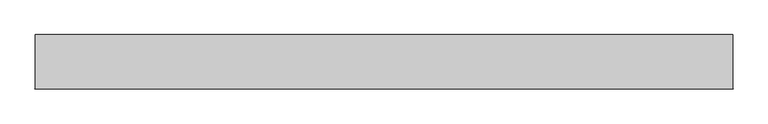
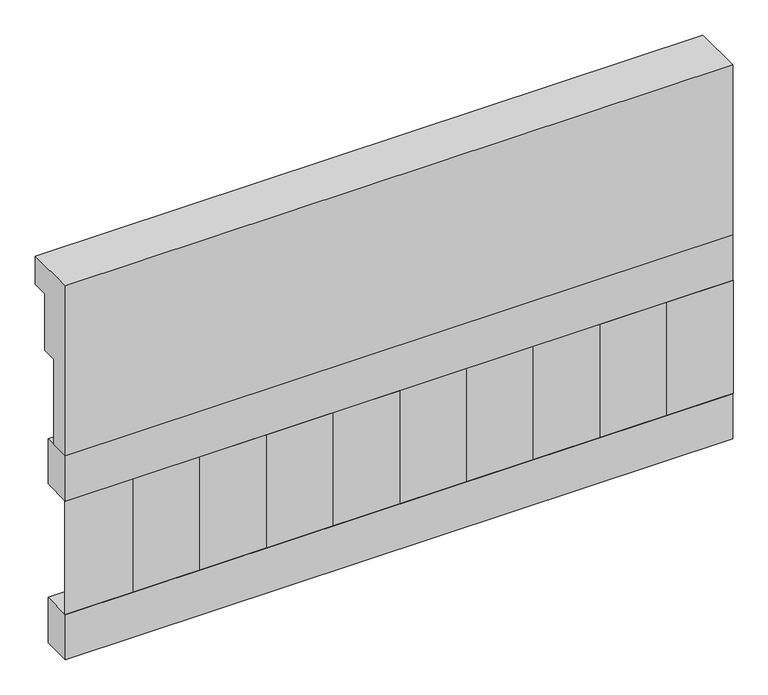
"""IFC4 building model written with IfcOpenShell, lengths in millimetres: railing geometry."""

from ifc_helpers import new_model, si_unit, frame, origin, place, context, project, spatial, polyline, outline, extrude, source, transform, mapped, element, save


def railing_ed606c9d(model_context):
    return source(origin(), model_context, "Body", "SweptSolid", [
        extrude(outline(polyline([(903.1079487, 15200.0), (1033.1079487, 15200.0), (1033.1079487, 15125.0), (993.1079487, 15125.0), (993.1079487, 14975.0), (953.1079487, 14975.0), (953.1079487, 14750.0), (903.1079487, 14750.0), (903.1079487, 15200.0)])), frame((-8909.9887159, 0.0, 0.0), z_axis=(1.0, 0.0, 0.0), x_axis=(0.0, 1.0, 0.0)), (0.0, 0.0, 1.0), 1670.0),
        extrude(outline(polyline([(-7239.9887159, 978.1079487), (-7239.9887159, 903.1079487), (-8909.9887159, 903.1079487), (-8909.9887159, 978.1079487), (-7239.9887159, 978.1079487)])), frame((0.0, 0.0, 14630.0), z_axis=(0.0, 0.0, 1.0), x_axis=(1.0, 0.0, 0.0)), (0.0, 0.0, 1.0), 120.0),
        extrude(outline(polyline([(-7239.9887159, 978.1079487), (-7239.9887159, 903.1079487), (-8909.9887159, 903.1079487), (-8909.9887159, 978.1079487), (-7239.9887159, 978.1079487)])), frame((0.0, 0.0, 14210.0), z_axis=(0.0, 0.0, 1.0), x_axis=(1.0, 0.0, 0.0)), (0.0, 0.0, 1.0), 120.0),
        extrude(outline(polyline([(-8826.4887159, 987.9607624), (-8741.6359022, 903.1079487), (-8911.3415296, 903.1079487), (-8826.4887159, 987.9607624)])), frame((0.0, 0.0, 14330.0), z_axis=(0.0, 0.0, 1.0), x_axis=(1.0, 0.0, 0.0)), (0.0, 0.0, 1.0), 300.0),
        extrude(outline(polyline([(-8659.4887159, 987.9607624), (-8574.6359022, 903.1079487), (-8744.3415296, 903.1079487), (-8659.4887159, 987.9607624)])), frame((0.0, 0.0, 14330.0), z_axis=(0.0, 0.0, 1.0), x_axis=(1.0, 0.0, 0.0)), (0.0, 0.0, 1.0), 300.0),
        extrude(outline(polyline([(-8492.4887159, 987.9607624), (-8407.6359022, 903.1079487), (-8577.3415296, 903.1079487), (-8492.4887159, 987.9607624)])), frame((0.0, 0.0, 14330.0), z_axis=(0.0, 0.0, 1.0), x_axis=(1.0, 0.0, 0.0)), (0.0, 0.0, 1.0), 300.0),
        extrude(outline(polyline([(-8325.4887159, 987.9607624), (-8240.6359022, 903.1079487), (-8410.3415296, 903.1079487), (-8325.4887159, 987.9607624)])), frame((0.0, 0.0, 14330.0), z_axis=(0.0, 0.0, 1.0), x_axis=(1.0, 0.0, 0.0)), (0.0, 0.0, 1.0), 300.0),
        extrude(outline(polyline([(-8158.4887159, 987.9607624), (-8073.6359022, 903.1079487), (-8243.3415296, 903.1079487), (-8158.4887159, 987.9607624)])), frame((0.0, 0.0, 14330.0), z_axis=(0.0, 0.0, 1.0), x_axis=(1.0, 0.0, 0.0)), (0.0, 0.0, 1.0), 300.0),
        extrude(outline(polyline([(-7991.4887159, 987.9607624), (-7906.6359022, 903.1079487), (-8076.3415296, 903.1079487), (-7991.4887159, 987.9607624)])), frame((0.0, 0.0, 14330.0), z_axis=(0.0, 0.0, 1.0), x_axis=(1.0, 0.0, 0.0)), (0.0, 0.0, 1.0), 300.0),
        extrude(outline(polyline([(-7824.4887159, 987.9607624), (-7739.6359022, 903.1079487), (-7909.3415296, 903.1079487), (-7824.4887159, 987.9607624)])), frame((0.0, 0.0, 14330.0), z_axis=(0.0, 0.0, 1.0), x_axis=(1.0, 0.0, 0.0)), (0.0, 0.0, 1.0), 300.0),
        extrude(outline(polyline([(-7657.4887159, 987.9607624), (-7572.6359022, 903.1079487), (-7742.3415296, 903.1079487), (-7657.4887159, 987.9607624)])), frame((0.0, 0.0, 14330.0), z_axis=(0.0, 0.0, 1.0), x_axis=(1.0, 0.0, 0.0)), (0.0, 0.0, 1.0), 300.0),
        extrude(outline(polyline([(-7490.4887159, 987.9607624), (-7405.6359022, 903.1079487), (-7575.3415296, 903.1079487), (-7490.4887159, 987.9607624)])), frame((0.0, 0.0, 14330.0), z_axis=(0.0, 0.0, 1.0), x_axis=(1.0, 0.0, 0.0)), (0.0, 0.0, 1.0), 300.0),
        extrude(outline(polyline([(-7323.4887159, 987.9607624), (-7238.6359022, 903.1079487), (-7408.3415296, 903.1079487), (-7323.4887159, 987.9607624)])), frame((0.0, 0.0, 14330.0), z_axis=(0.0, 0.0, 1.0), x_axis=(1.0, 0.0, 0.0)), (0.0, 0.0, 1.0), 300.0),
    ])


if __name__ == "__main__":
    model = new_model("IFC4")
    model_context = context("Model", 3, world=origin())
    ifc_project = project(units=[si_unit("LENGTHUNIT", "METRE", prefix="MILLI")], contexts=[model_context])
    site = spatial("IfcSite", under=ifc_project)
    building = spatial("IfcBuilding", under=site)
    placement = place(None, origin())
    railing_shape = railing_ed606c9d(model_context)
    element("IfcRailing", 1, at=placement, inside=building, context=model_context, shape_type="MappedRepresentation", body=[
        mapped(railing_shape, transform((0.0, 0.0, 0.0), x_axis=(1.0, 0.0, 0.0), y_axis=(0.0, 1.0, 0.0), z_axis=(0.0, 0.0, 1.0))),
    ])
    save(model, "model.ifc")
